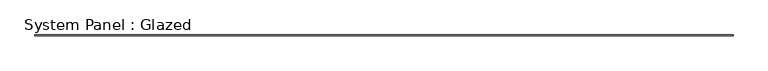
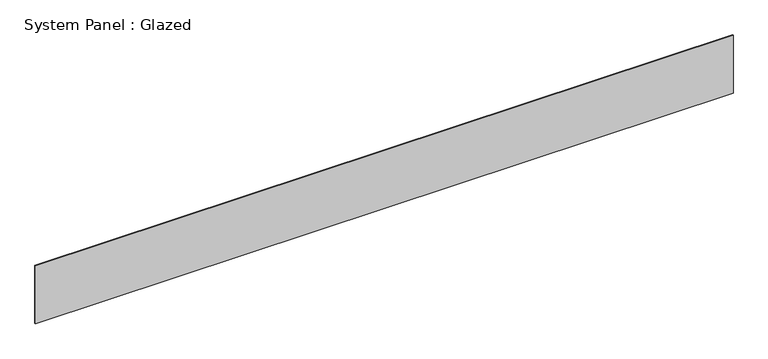
"""IFC4 building model written with IfcOpenShell, lengths in millimetres: plate geometry, System Panel : Glazed."""

from ifc_helpers import new_model, si_unit, origin, origin_with_axes, place, context, project, spatial, polyline, outline, extrude, source, transform, mapped, element, save


def system_panel_glazed_62b354d2(model_context):
    return source(origin(), model_context, "Body", "SweptSolid", [
        extrude(outline(polyline([(10154.9999998, 24.5), (-10154.9999998, 24.5), (-10154.9999998, 49.5), (10154.9999998, 49.5), (10154.9999998, 24.5)])), origin_with_axes(), (0.0, 0.0, 1.0), 1777.7777778),
    ])


if __name__ == "__main__":
    model = new_model("IFC4")
    model_context = context("Model", 3, world=origin())
    ifc_project = project(units=[si_unit("LENGTHUNIT", "METRE", prefix="MILLI")], contexts=[model_context])
    site = spatial("IfcSite", under=ifc_project)
    building = spatial("IfcBuilding", under=site)
    placement = place(None, origin())
    system_panel_glazed_shape = system_panel_glazed_62b354d2(model_context)
    element("IfcPlate", 1, ObjectType="System Panel : Glazed", at=placement, inside=building, context=model_context, shape_type="MappedRepresentation", body=[
        mapped(system_panel_glazed_shape, transform((0.0, 0.0, 0.0), x_axis=(1.0, 0.0, 0.0), y_axis=(0.0, 1.0, 0.0), z_axis=(0.0, 0.0, 1.0))),
    ])
    save(model, "model.ifc")
